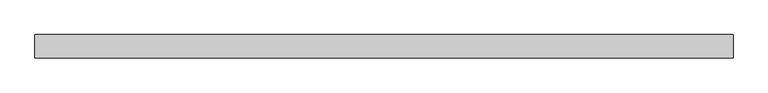
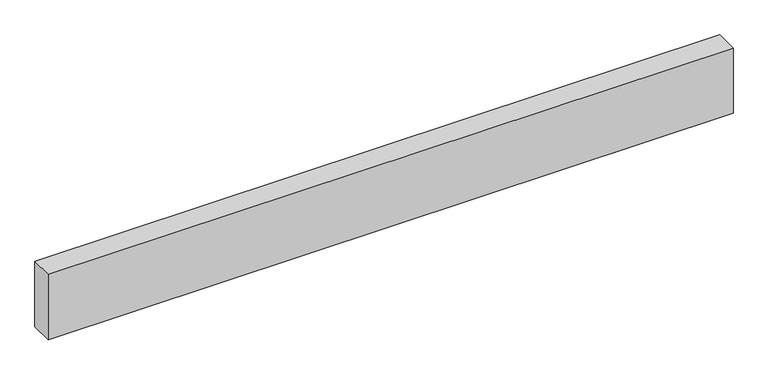
"""IFC4 building model written with IfcOpenShell, lengths in millimetres: proxy geometry."""

from ifc_helpers import new_model, si_unit, origin, origin_with_axes, place, context, project, spatial, polyline, outline, extrude, source, transform, mapped, element, save


def generic_models_0ae8e02d(model_context):
    return source(origin(), model_context, "Body", "SweptSolid", [
        extrude(outline(polyline([(2973.9617472, 0.0), (2973.9617472, -100.0), (0.0, -100.0), (0.0, 0.0), (2973.9617472, 0.0)])), origin_with_axes(), (0.0, 0.0, 1.0), 300.0),
    ])


if __name__ == "__main__":
    model = new_model("IFC4")
    model_context = context("Model", 3, world=origin())
    ifc_project = project(units=[si_unit("LENGTHUNIT", "METRE", prefix="MILLI")], contexts=[model_context])
    site = spatial("IfcSite", under=ifc_project)
    building = spatial("IfcBuilding", under=site)
    placement = place(None, origin())
    generic_models_shape = generic_models_0ae8e02d(model_context)
    element("IfcBuildingElementProxy", 1, Name="Generic Models", at=placement, inside=building, context=model_context, shape_type="MappedRepresentation", body=[
        mapped(generic_models_shape, transform((0.0, 0.0, 0.0), x_axis=(1.0, 0.0, 0.0), y_axis=(0.0, 1.0, 0.0), z_axis=(0.0, 0.0, 1.0))),
    ])
    save(model, "model.ifc")
